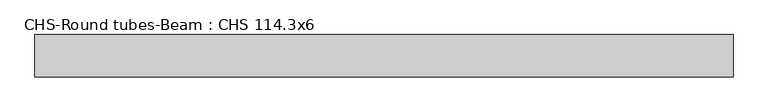
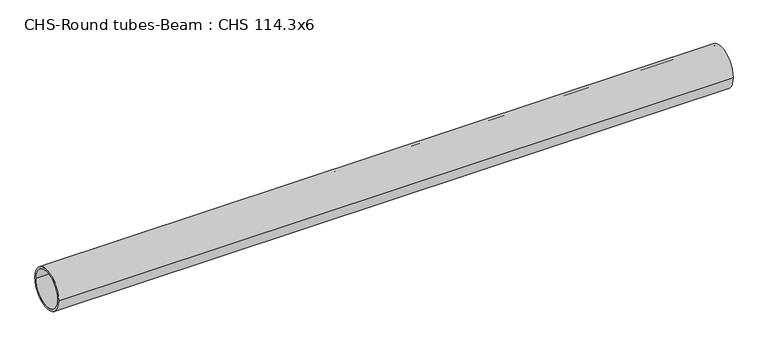
"""IFC4 building model written with IfcOpenShell, lengths in millimetres: beam geometry, CHS-Round tubes-Beam : CHS 114.3x6."""

from ifc_helpers import new_model, si_unit, point, frame, origin, origin_2d, place, context, project, spatial, circle_curve, trimmed, segment, composite_curve, outline, extrude, source, transform, mapped, element, save


def chs_round_tubes_beam_chs_114_3x6_bbcc161f(model_context):
    return source(origin(), model_context, "Body", "SweptSolid", [
        extrude(outline(composite_curve([segment(trimmed(circle_curve(origin_2d(), 57.15), [point((57.15, 0.0))], [point((-57.15, 0.0))], False, "CARTESIAN"), True, "CONTINUOUS"), segment(trimmed(circle_curve(origin_2d(), 57.15), [point((-57.15, 0.0))], [point((57.15, 0.0))], False, "CARTESIAN"), True, "CONTINUOUS")], self_intersect=False), holes=[composite_curve([segment(trimmed(circle_curve(origin_2d(), 51.15), [point((51.15, 0.0))], [point((-51.15, 0.0))], True, "CARTESIAN"), True, "CONTINUOUS"), segment(trimmed(circle_curve(origin_2d(), 51.15), [point((-51.15, 0.0))], [point((51.15, 0.0))], True, "CARTESIAN"), True, "CONTINUOUS")], self_intersect=False)]), frame((-944.2537178, 0.0, 0.0), z_axis=(1.0, 0.0, 0.0), x_axis=(0.0, 1.0, 0.0)), (0.0, 0.0, 1.0), 1883.0998447),
    ])


if __name__ == "__main__":
    model = new_model("IFC4")
    model_context = context("Model", 3, world=origin())
    ifc_project = project(units=[si_unit("LENGTHUNIT", "METRE", prefix="MILLI")], contexts=[model_context])
    site = spatial("IfcSite", under=ifc_project)
    building = spatial("IfcBuilding", under=site)
    placement = place(None, origin())
    chs_round_tubes_beam_chs_114_3x6_shape = chs_round_tubes_beam_chs_114_3x6_bbcc161f(model_context)
    element("IfcBeam", 1, ObjectType="CHS-Round tubes-Beam : CHS 114.3x6", at=placement, inside=building, context=model_context, shape_type="MappedRepresentation", body=[
        mapped(chs_round_tubes_beam_chs_114_3x6_shape, transform((0.0, 0.0, 0.0), x_axis=(1.0, 0.0, 0.0), y_axis=(0.0, 1.0, 0.0), z_axis=(0.0, 0.0, 1.0))),
    ])
    save(model, "model.ifc")
